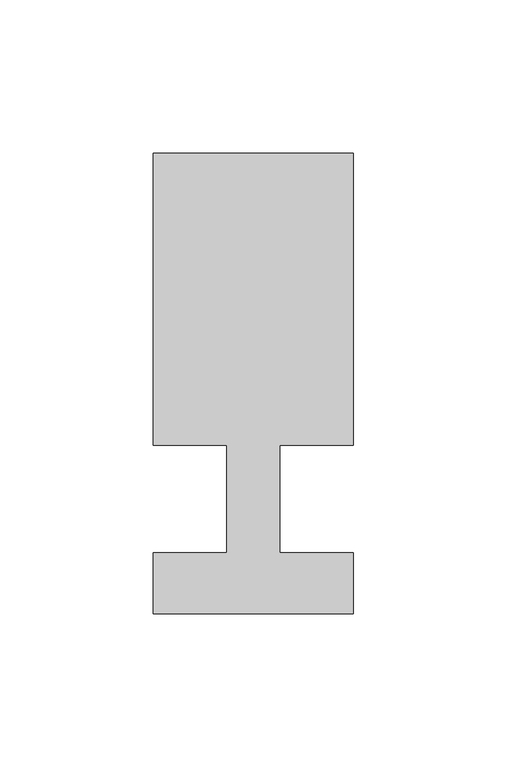
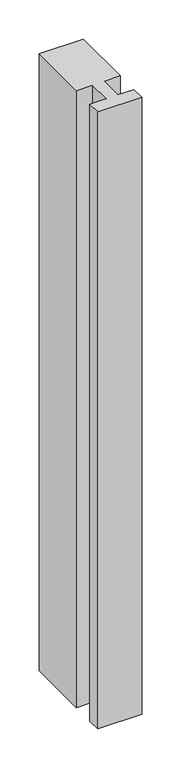
"""IFC4 building model written with IfcOpenShell, lengths in millimetres: member geometry."""

from ifc_helpers import new_model, si_unit, frame, origin, place, context, project, spatial, polyline, outline, extrude, source, transform, mapped, element, save


def member_b78c566a(model_context):
    return source(origin(), model_context, "Body", "SweptSolid", [
        extrude(outline(polyline([(-65.0, -37.0), (-65.0, -17.0), (-41.1875, -17.0), (-41.1875, 18.0), (-65.0, 18.0), (-65.0, 113.0), (0.0, 113.0), (0.0, 18.0), (-23.8125, 18.0), (-23.8125, -17.0), (0.0, -17.0), (0.0, -37.0), (-65.0, -37.0)])), frame((0.0, 0.0, -963.5714286), z_axis=(0.0, 0.0, 1.0), x_axis=(1.0, 0.0, 0.0)), (0.0, 0.0, 1.0), 963.5714286),
    ])


if __name__ == "__main__":
    model = new_model("IFC4")
    model_context = context("Model", 3, world=origin())
    ifc_project = project(units=[si_unit("LENGTHUNIT", "METRE", prefix="MILLI")], contexts=[model_context])
    site = spatial("IfcSite", under=ifc_project)
    building = spatial("IfcBuilding", under=site)
    placement = place(None, origin())
    member_shape = member_b78c566a(model_context)
    element("IfcMember", 1, at=placement, inside=building, context=model_context, shape_type="MappedRepresentation", body=[
        mapped(member_shape, transform((0.0, 0.0, 0.0), x_axis=(1.0, 0.0, 0.0), y_axis=(0.0, 1.0, 0.0), z_axis=(0.0, 0.0, 1.0))),
    ])
    save(model, "model.ifc")
